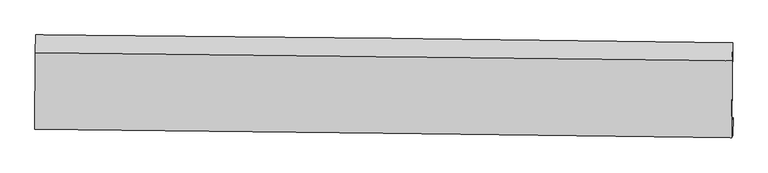
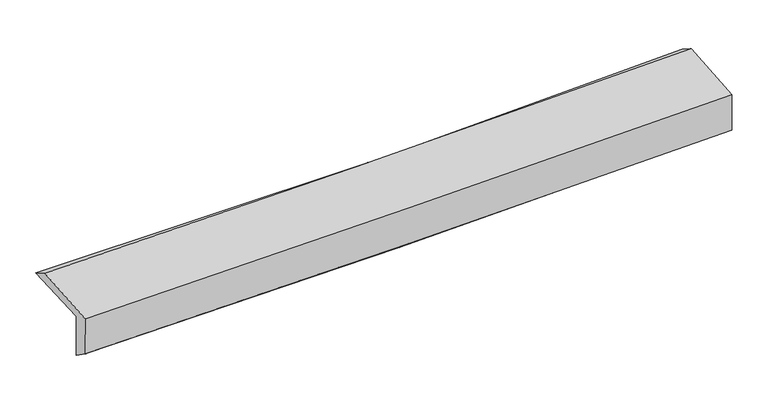
"""IFC4 building model written with IfcOpenShell, lengths in millimetres: proxy geometry."""

from ifc_helpers import new_model, si_unit, frame, origin, place, context, project, spatial, source, transform, mapped, element, save
from ifc_brep_helpers import plane_surface, spline_curve, spline_surface, advanced_brep


def generic_models_7771a156(model_context):
    return source(origin(), model_context, "Body", "AdvancedBrep", [
        advanced_brep(
        [(-3031.2592435, -1771.1964747, 1978.7259968), (-3025.7345766, -1100.1784344, 2001.7512747), (3015.0101185, -1169.0472371, 2157.3358838), (3009.7254071, -1839.779546, 2124.1742397), (-3021.7300308, -1751.868102, 1579.2662925), (3019.3207954, -1820.3169474, 1721.9404871), (-3025.716536, -1909.2429077, 1688.7691148), (3015.1044249, -1973.7760849, 1842.7700915), (-3034.1493775, -1917.0454544, 2045.8590828), (3006.3500745, -1991.5327823, 2209.7479652), (-3029.2870183, -1254.8483229, 2093.7624351), (3011.2547993, -1324.3344662, 2257.7721345)],
        [
            (0, 1),
            (1, 2, spline_curve(3, [(-3025.7345766, -1100.1784344, 2001.7512747), (-2018.065433169, -1109.182259994, 1991.918290078), (-1010.844698588, -1119.423111531, 1999.966615831), (1002.736899263, -1142.379288281, 2051.826839928), (2009.097729712, -1155.094704264, 2095.640050242), (3015.0101185, -1169.0472371, 2157.3358838)], [4, 2, 4], [0.0, 9.91475457733285, 19.829873003811723])),
            (2, 3),
            (3, 0, spline_curve(3, [(3009.7254071, -1839.779546, 2124.1742397), (2003.689378437, -1826.414596963, 2067.531360362), (997.246732132, -1814.016779352, 2027.089308671), (-1016.414848189, -1791.155826313, 1978.607749894), (-2023.633751759, -1780.692620407, 1970.567054043), (-3031.2592435, -1771.1964747, 1978.7259968)], [4, 2, 4], [0.0, 9.915118426478873, 19.829873003811723])),
            (4, 0),
            (3, 5),
            (5, 4, spline_curve(3, [(3019.3207954, -1820.3169474, 1721.9404871), (2013.134914379, -1807.255947838, 1671.579336782), (1006.611828392, -1795.021288004, 1634.509271087), (-1007.071804845, -1772.20506704, 1586.952181516), (-2014.232327788, -1761.623444858, 1576.464182463), (-3021.7300308, -1751.868102, 1579.2662925)], [4, 2, 4], [0.0, 9.91468850537569, 19.829013177381913])),
            (6, 4),
            (5, 7),
            (7, 6, spline_curve(3, [(3015.1044249, -1973.7760849, 1842.7700915), (2008.535286949, -1964.04164119, 1807.491171518), (1001.839732064, -1953.796546398, 1777.018149443), (-1011.767264322, -1932.285449899, 1725.684843048), (-2018.678696426, -1921.01948534, 1704.824206192), (-3025.716536, -1909.2429077, 1688.7691148)], [4, 2, 4], [0.0, 9.91390320301305, 19.8274426014744])),
            (8, 6),
            (7, 9),
            (9, 8, spline_curve(3, [(3006.3500745, -1991.5327823, 2209.7479652), (1999.858812609, -1976.897917472, 2173.034599968), (993.228988469, -1963.373114161, 2141.020346509), (-1020.270839094, -1938.544086016, 2086.391063658), (-2027.14083224, -1927.239780146, 2063.77568995), (-3034.1493775, -1917.0454544, 2045.8590828)], [4, 2, 4], [0.0, 9.913617729680482, 19.826871665285108])),
            (10, 8),
            (9, 11),
            (11, 10, spline_curve(3, [(3011.2547993, -1324.3344662, 2257.7721345), (2004.743716555, -1312.014684462, 2221.011781473), (998.100451801, -1300.06418247, 2188.963965594), (-1015.413496967, -1276.90216152, 2134.294411712), (-2022.284171561, -1265.69061598, 2111.672327795), (-3029.2870183, -1254.8483229, 2093.7624351)], [4, 2, 4], [0.0, 9.913655842548613, 19.826947889622765])),
            (1, 10),
            (11, 2),
        ],
        [
            spline_surface(3, 3, [[(-3031.2592435, -1771.1964747, 1978.7259968), (-2023.633751899, -1780.692620334, 1970.567054081), (-1016.414848048, -1791.155826437, 1978.607749953), (997.246731991, -1814.016779228, 2027.089308613), (2003.689378346, -1826.414596885, 2067.531360316), (3009.7254071, -1839.779546, 2124.1742397)], [(-3029.417687867, -1547.523794609, 1986.40108946), (-2021.777645694, -1556.855833531, 1977.684132768), (-1014.558131609, -1567.244921464, 1985.727371927), (999.076787734, -1590.137615583, 2035.335152346), (2005.492162134, -1602.641299343, 2076.900923665), (3011.486977573, -1616.202109708, 2135.228121066)], [(-3027.576132233, -1323.851114491, 1994.07618204), (-2019.921539487, -1333.019046701, 1984.801211375), (-1012.701415076, -1343.334016491, 1992.846993937), (1000.906843569, -1366.258451939, 2043.580996115), (2007.294945905, -1378.868001776, 2086.270487013), (3013.248548027, -1392.624673392, 2146.282002434)], [(-3025.7345766, -1100.1784344, 2001.7512747), (-2018.065433282, -1109.182259897, 1991.918290062), (-1010.844698637, -1119.423111518, 1999.966615911), (1002.736899312, -1142.379288294, 2051.826839848), (2009.097729693, -1155.094704234, 2095.640050361), (3015.0101185, -1169.0472371, 2157.3358838)]], [4, 4], [4, 2, 4], [0.0, 2.205062915597152], [0.0, 9.91475457733285, 19.829873003811723]),
            spline_surface(3, 3, [[(-3021.7300308, -1751.868102, 1579.2662925), (-2014.232327803, -1761.623444887, 1576.464182436), (-1007.07180497, -1772.205066945, 1586.952181595), (1006.611828518, -1795.021288099, 1634.509271008), (2013.134914405, -1807.255947839, 1671.579336718), (3019.3207954, -1820.3169474, 1721.9404871)], [(-3024.906435031, -1758.310892888, 1712.419527248), (-2017.366135833, -1767.979836691, 1707.831806299), (-1010.186152653, -1778.521986775, 1717.504037705), (1003.490129685, -1801.353118475, 1765.369283535), (2009.986402378, -1813.642164179, 1803.563344595), (3016.122332626, -1826.804480257, 1856.018404645)], [(-3028.082839269, -1764.753683812, 1845.572762052), (-2020.499943869, -1774.33622853, 1839.199430218), (-1013.300500365, -1784.838906607, 1848.055893842), (1000.368430824, -1807.684948852, 1896.229296087), (2006.837890373, -1820.028380546, 1935.547352439), (3012.923869874, -1833.292013143, 1990.096322155)], [(-3031.2592435, -1771.1964747, 1978.7259968), (-2023.633751899, -1780.692620334, 1970.567054081), (-1016.414848048, -1791.155826437, 1978.607749953), (997.246731991, -1814.016779228, 2027.089308613), (2003.689378346, -1826.414596885, 2067.531360316), (3009.7254071, -1839.779546, 2124.1742397)]], [4, 4], [4, 2, 4], [0.0, 1.2883464462494632], [0.0, 9.914324672006224, 19.829013177381913]),
            spline_surface(3, 3, [[(-3025.716536, -1909.2429077, 1688.7691148), (-2018.678696412, -1921.019485479, 1704.824206328), (-1011.767264251, -1932.285449882, 1725.684843156), (1001.839731993, -1953.796546415, 1777.018149335), (2008.5352868, -1964.041641101, 1807.491171426), (3015.1044249, -1973.7760849, 1842.7700915)], [(-3024.387700927, -1856.784639123, 1652.26817403), (-2017.196573536, -1867.887471938, 1662.037531694), (-1010.202111154, -1878.925322248, 1679.440622634), (1003.430430838, -1900.871460321, 1729.515189891), (2010.068496015, -1911.779743349, 1762.187226529), (3016.509881747, -1922.623039068, 1802.493556705)], [(-3023.058865873, -1804.326370577, 1615.76723327), (-2015.714450678, -1814.755458428, 1619.25085707), (-1008.636958067, -1825.565194579, 1633.196402117), (1005.021129673, -1847.946374193, 1682.012230452), (2011.60170519, -1859.517845592, 1716.883281615), (3017.915338553, -1871.469993232, 1762.217021895)], [(-3021.7300308, -1751.868102, 1579.2662925), (-2014.232327803, -1761.623444887, 1576.464182436), (-1007.07180497, -1772.205066945, 1586.952181595), (1006.611828518, -1795.021288099, 1634.509271008), (2013.134914405, -1807.255947839, 1671.579336718), (3019.3207954, -1820.3169474, 1721.9404871)]], [4, 4], [4, 2, 4], [0.0, 0.6976229973551074], [0.0, 9.91353939846135, 19.8274426014744]),
            spline_surface(3, 3, [[(-3034.1493775, -1917.0454544, 2045.8590828), (-2027.140832345, -1927.239780246, 2063.775690065), (-1020.270839071, -1938.544086163, 2086.391063787), (993.228988446, -1963.373114013, 2141.02034638), (1999.858812476, -1976.897917358, 2173.034600123), (3006.3500745, -1991.5327823, 2209.7479652)], [(-3031.338430325, -1914.444605521, 1926.829093473), (-2024.320120359, -1925.166348679, 1944.125195493), (-1017.436314117, -1936.457874048, 1966.155656931), (996.099236309, -1960.180924792, 2019.686280719), (2002.750970576, -1972.61249193, 2051.186790553), (3009.268191292, -1985.613883157, 2087.422007296)], [(-3028.527483175, -1911.843756579, 1807.799104127), (-2021.499408397, -1923.092917047, 1824.474700901), (-1014.601789206, -1934.371661997, 1845.920250013), (998.969484129, -1956.988735636, 1898.352214996), (2005.6431287, -1968.32706653, 1929.338980995), (3012.186308108, -1979.694984043, 1965.096049404)], [(-3025.716536, -1909.2429077, 1688.7691148), (-2018.678696412, -1921.019485479, 1704.824206328), (-1011.767264251, -1932.285449882, 1725.684843156), (1001.839731993, -1953.796546415, 1777.018149335), (2008.5352868, -1964.041641101, 1807.491171426), (3015.1044249, -1973.7760849, 1842.7700915)]], [4, 4], [4, 2, 4], [0.0, 1.1894414838219758], [0.0, 9.913253935604626, 19.826871665285108]),
            spline_surface(3, 3, [[(-3029.2870183, -1254.8483229, 2093.7624351), (-2022.284171468, -1265.690616135, 2111.672327656), (-1015.413497031, -1276.902161666, 2134.294411691), (998.100451865, -1300.064182323, 2188.963965615), (2004.743716638, -1312.014684573, 2221.011781412), (3011.2547993, -1324.3344662, 2257.7721345)], [(-3030.907804718, -1475.580700052, 2077.794650988), (-2023.903058445, -1486.207004158, 2095.70678178), (-1017.032611048, -1497.449469841, 2118.326629051), (996.476630723, -1521.167159563, 2172.982759198), (2003.115415252, -1533.642428847, 2205.019387655), (3009.619891035, -1546.733904912, 2241.764078072)], [(-3032.528591082, -1696.313077248, 2061.826866912), (-2025.521945368, -1706.723392224, 2079.741235941), (-1018.651725055, -1717.996777988, 2102.358846427), (994.852809589, -1742.270136774, 2157.001552797), (2001.487113862, -1755.270173084, 2189.02699388), (3007.984982765, -1769.133343588, 2225.756021628)], [(-3034.1493775, -1917.0454544, 2045.8590828), (-2027.140832345, -1927.239780246, 2063.775690065), (-1020.270839071, -1938.544086163, 2086.391063787), (993.228988446, -1963.373114013, 2141.02034638), (1999.858812476, -1976.897917358, 2173.034600123), (3006.3500745, -1991.5327823, 2209.7479652)]], [4, 4], [4, 2, 4], [0.0, 2.1792139171915266], [0.0, 9.913292047074153, 19.826947889622765]),
            spline_surface(3, 3, [[(-3025.7345766, -1100.1784344, 2001.7512747), (-2018.065433282, -1109.182259897, 1991.918290062), (-1010.844698637, -1119.423111518, 1999.966615911), (1002.736899312, -1142.379288294, 2051.826839848), (2009.097729693, -1155.094704234, 2095.640050361), (3015.0101185, -1169.0472371, 2157.3358838)], [(-3026.918723831, -1151.735063906, 2032.421661501), (-2019.471679342, -1161.351711983, 2031.836302594), (-1012.367631428, -1171.916128236, 2044.742547845), (1001.191416836, -1194.940919639, 2097.539215111), (2007.646392002, -1207.401364344, 2137.43062736), (3013.758345427, -1220.809646797, 2190.814634015)], [(-3028.102871069, -1203.291693394, 2063.092048299), (-2020.877925408, -1213.521164049, 2071.754315124), (-1013.89056424, -1224.409144948, 2089.518479757), (999.645934341, -1247.502550979, 2143.251590352), (2006.195054329, -1259.708024464, 2179.221204413), (3012.506572373, -1272.572056503, 2224.293384285)], [(-3029.2870183, -1254.8483229, 2093.7624351), (-2022.284171468, -1265.690616135, 2111.672327656), (-1015.413497031, -1276.902161666, 2134.294411691), (998.100451865, -1300.064182323, 2188.963965615), (2004.743716638, -1312.014684573, 2221.011781412), (3011.2547993, -1324.3344662, 2257.7721345)]], [4, 4], [4, 2, 4], [0.0, 0.6825138903914356], [0.0, 9.913858344208169, 19.828080504672627]),
            plane_surface(frame((3012.79427, -1686.4645107, 2052.2901336), z_axis=(0.9996851154285169, -0.009033979672831488, 0.023410621562525644), x_axis=(0.02382061650493964, 0.04831603278702398, -0.9985480154729907))),
            plane_surface(frame((-3027.9794638, -1617.396616, 1898.0223661), z_axis=(-0.999685115428518, 0.009033979672478877, -0.023410621562613282), x_axis=(-0.008228139969743262, -0.9993779640730505, -0.03429260325264303))),
        ],
        [
            (0, [[1, 2, 3, 4]]),
            (1, [[5, -4, 6, 7]]),
            (2, [[8, -7, 9, 10]]),
            (3, [[11, -10, 12, 13]]),
            (4, [[14, -13, 15, 16]]),
            (5, [[17, -16, 18, -2]]),
            (6, [[-12, -9, -6, -3, -18, -15]]),
            (7, [[-1, -5, -8, -11, -14, -17]]),
        ],
    ),
    ])


if __name__ == "__main__":
    model = new_model("IFC4")
    model_context = context("Model", 3, world=origin())
    ifc_project = project(units=[si_unit("LENGTHUNIT", "METRE", prefix="MILLI")], contexts=[model_context])
    site = spatial("IfcSite", under=ifc_project)
    building = spatial("IfcBuilding", under=site)
    placement = place(None, origin())
    generic_models_shape = generic_models_7771a156(model_context)
    element("IfcBuildingElementProxy", 1, Name="Generic Models", at=placement, inside=building, context=model_context, shape_type="MappedRepresentation", body=[
        mapped(generic_models_shape, transform((0.0, 0.0, 0.0), x_axis=(1.0, 0.0, 0.0), y_axis=(0.0, 1.0, 0.0), z_axis=(0.0, 0.0, 1.0))),
    ])
    save(model, "model.ifc")
